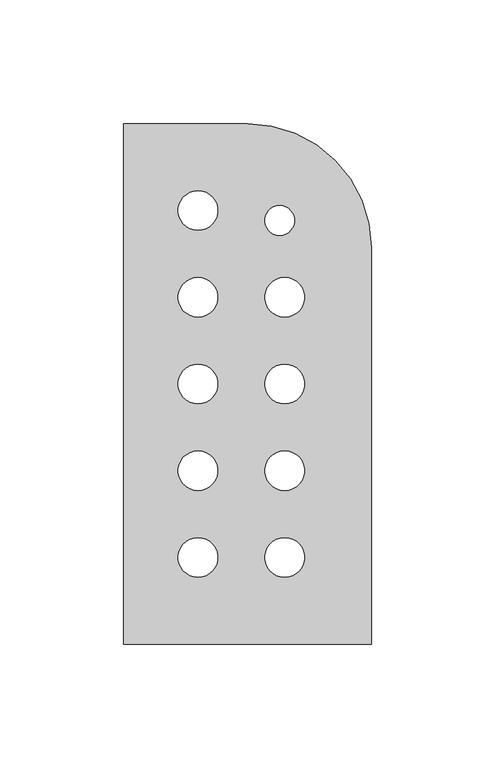
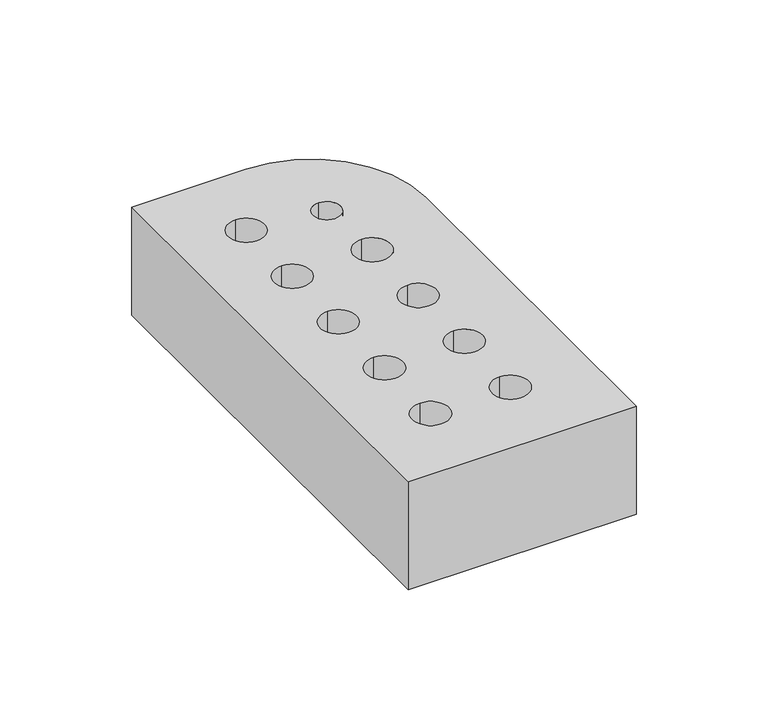
"""IFC4 building model written with IfcOpenShell, lengths in millimetres: proxy geometry."""

from ifc_helpers import new_model, si_unit, point, frame_2d, origin, origin_with_axes, place, context, project, spatial, polyline, circle_curve, trimmed, segment, composite_curve, outline, extrude, source, transform, mapped, element, save


def generic_models_32dbbeac(model_context):
    return source(origin(), model_context, "Body", "SweptSolid", [
        extrude(outline(composite_curve([segment(trimmed(circle_curve(frame_2d((50.0, 160.0)), 50.0), [point((50.0, 210.0))], [point((100.0, 160.0))], False, "CARTESIAN"), True, "CONTINUOUS"), segment(polyline([(100.0, 160.0), (100.0, 0.0), (0.0, 0.0), (0.0, 210.0), (50.0, 210.0)]), True, "CONTINUOUS")], self_intersect=False), holes=[composite_curve([segment(trimmed(circle_curve(frame_2d((30.0, 35.0)), 8.0), [point((30.0, 43.0))], [point((30.0, 27.0))], True, "CARTESIAN"), True, "CONTINUOUS"), segment(trimmed(circle_curve(frame_2d((30.0, 35.0)), 8.0), [point((30.0, 27.0))], [point((30.0, 43.0))], True, "CARTESIAN"), True, "CONTINUOUS")], self_intersect=False), composite_curve([segment(trimmed(circle_curve(frame_2d((30.0, 105.0)), 8.0), [point((30.0, 113.0))], [point((30.0, 97.0))], True, "CARTESIAN"), True, "CONTINUOUS"), segment(trimmed(circle_curve(frame_2d((30.0, 105.0)), 8.0), [point((30.0, 97.0))], [point((30.0, 113.0))], True, "CARTESIAN"), True, "CONTINUOUS")], self_intersect=False), composite_curve([segment(trimmed(circle_curve(frame_2d((30.0, 70.0)), 8.0), [point((30.0, 78.0))], [point((30.0, 62.0))], True, "CARTESIAN"), True, "CONTINUOUS"), segment(trimmed(circle_curve(frame_2d((30.0, 70.0)), 8.0), [point((30.0, 62.0))], [point((30.0, 78.0))], True, "CARTESIAN"), True, "CONTINUOUS")], self_intersect=False), composite_curve([segment(trimmed(circle_curve(frame_2d((65.0, 35.0)), 8.0), [point((65.0, 43.0))], [point((65.0, 27.0))], True, "CARTESIAN"), True, "CONTINUOUS"), segment(trimmed(circle_curve(frame_2d((65.0, 35.0)), 8.0), [point((65.0, 27.0))], [point((65.0, 43.0))], True, "CARTESIAN"), True, "CONTINUOUS")], self_intersect=False), composite_curve([segment(trimmed(circle_curve(frame_2d((65.0, 105.0)), 8.0), [point((65.0, 113.0))], [point((65.0, 97.0))], True, "CARTESIAN"), True, "CONTINUOUS"), segment(trimmed(circle_curve(frame_2d((65.0, 105.0)), 8.0), [point((65.0, 97.0))], [point((65.0, 113.0))], True, "CARTESIAN"), True, "CONTINUOUS")], self_intersect=False), composite_curve([segment(trimmed(circle_curve(frame_2d((65.0, 70.0)), 8.0), [point((65.0, 78.0))], [point((65.0, 62.0))], True, "CARTESIAN"), True, "CONTINUOUS"), segment(trimmed(circle_curve(frame_2d((65.0, 70.0)), 8.0), [point((65.0, 62.0))], [point((65.0, 78.0))], True, "CARTESIAN"), True, "CONTINUOUS")], self_intersect=False), composite_curve([segment(trimmed(circle_curve(frame_2d((30.0, 175.0)), 8.0), [point((30.0, 183.0))], [point((30.0, 167.0))], True, "CARTESIAN"), True, "CONTINUOUS"), segment(trimmed(circle_curve(frame_2d((30.0, 175.0)), 8.0), [point((30.0, 167.0))], [point((30.0, 183.0))], True, "CARTESIAN"), True, "CONTINUOUS")], self_intersect=False), composite_curve([segment(trimmed(circle_curve(frame_2d((63.0, 171.0)), 6.0), [point((63.0, 177.0))], [point((63.0, 165.0))], True, "CARTESIAN"), True, "CONTINUOUS"), segment(trimmed(circle_curve(frame_2d((63.0, 171.0)), 6.0), [point((63.0, 165.0))], [point((63.0, 177.0))], True, "CARTESIAN"), True, "CONTINUOUS")], self_intersect=False), composite_curve([segment(trimmed(circle_curve(frame_2d((65.0, 140.0)), 8.0), [point((65.0, 148.0))], [point((65.0, 132.0))], True, "CARTESIAN"), True, "CONTINUOUS"), segment(trimmed(circle_curve(frame_2d((65.0, 140.0)), 8.0), [point((65.0, 132.0))], [point((65.0, 148.0))], True, "CARTESIAN"), True, "CONTINUOUS")], self_intersect=False), composite_curve([segment(trimmed(circle_curve(frame_2d((30.0, 140.0)), 8.0), [point((30.0, 148.0))], [point((30.0, 132.0))], True, "CARTESIAN"), True, "CONTINUOUS"), segment(trimmed(circle_curve(frame_2d((30.0, 140.0)), 8.0), [point((30.0, 132.0))], [point((30.0, 148.0))], True, "CARTESIAN"), True, "CONTINUOUS")], self_intersect=False)]), origin_with_axes(), (0.0, 0.0, 1.0), 50.0),
    ])


if __name__ == "__main__":
    model = new_model("IFC4")
    model_context = context("Model", 3, world=origin())
    ifc_project = project(units=[si_unit("LENGTHUNIT", "METRE", prefix="MILLI")], contexts=[model_context])
    site = spatial("IfcSite", under=ifc_project)
    building = spatial("IfcBuilding", under=site)
    placement = place(None, origin())
    generic_models_shape = generic_models_32dbbeac(model_context)
    element("IfcBuildingElementProxy", 1, Name="Generic Models", at=placement, inside=building, context=model_context, shape_type="MappedRepresentation", body=[
        mapped(generic_models_shape, transform((0.0, 0.0, 0.0), x_axis=(1.0, 0.0, 0.0), y_axis=(0.0, 1.0, 0.0), z_axis=(0.0, 0.0, 1.0))),
    ])
    save(model, "model.ifc")
